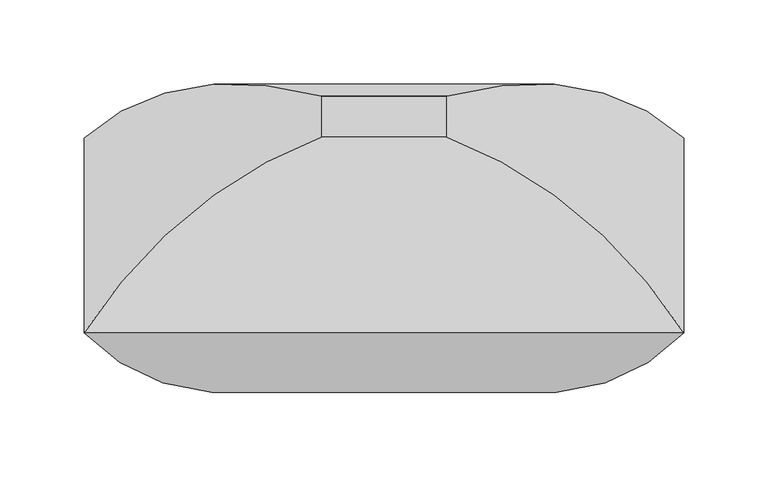
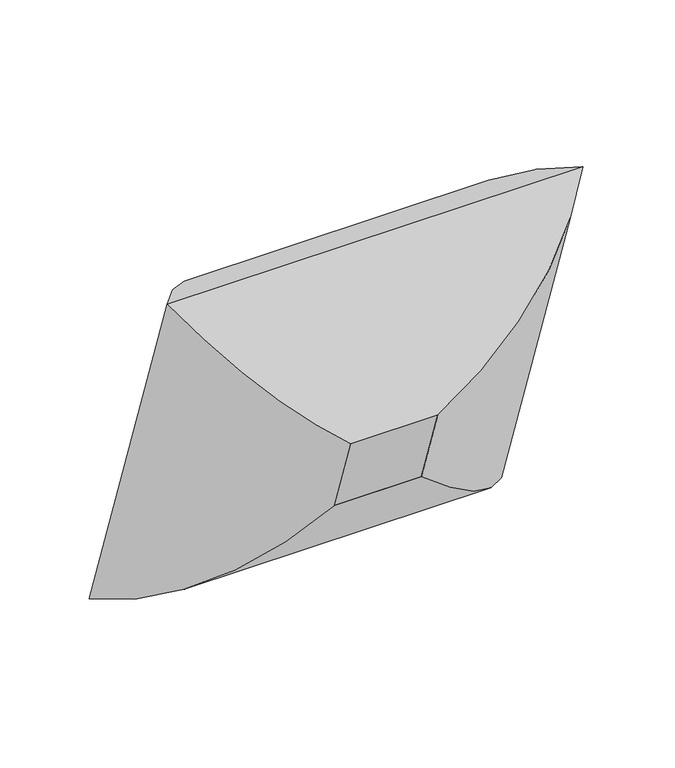
"""IFC4 building model written with IfcOpenShell, lengths in millimetres: furniture geometry."""

from ifc_helpers import new_model, si_unit, frame, origin, place, context, project, spatial, polyline, ellipse_curve, outline, extrude, source, transform, mapped, element, save
from ifc_brep_helpers import plane_surface, cylinder_surface, advanced_brep


def furniture_4e409ad1(model_context):
    return source(origin(), model_context, "Body", "SolidModel", [
        advanced_brep(
        [(-37.30625, -143.5545135, 609.5264421), (-177.4741804, -115.5598827, 767.4102685), (-177.4741804, 0.0, 431.8), (-37.30625, -119.2630596, 538.9789373), (-37.30625, 0.5425174, 659.1430288), (-37.30625, 24.8339713, 588.5955241), (177.4741804, 0.0, 431.8), (37.30625, -119.2630596, 538.9789373), (37.30625, 24.8339713, 588.5955241), (177.4741804, -115.5598827, 767.4102685), (37.30625, -143.5545135, 609.5264421), (37.30625, 0.5425174, 659.1430288)],
        [
            (0, 1, ellipse_curve(frame((-32.526504, 22.2285767, 661.5549796), z_axis=(-0.7071067811865476, 0.2302114497550402, -0.6685825965441238), x_axis=(-0.7071067811865475, -0.23021144975504026, 0.6685825965441237)), 245.7274984, 173.7555804)),
            (1, 2),
            (2, 3, ellipse_curve(frame((-32.526504, 43.4077645, 600.0461521), z_axis=(-0.7071067811865472, -0.23021144975504035, 0.668582596544124), x_axis=(0.7071067811865476, -0.23021144975504015, 0.6685825965441236)), 245.7274984, 173.7555804)),
            (3, 0),
            (4, 0),
            (3, 5),
            (5, 4),
            (1, 4, ellipse_curve(frame((-28.1179464, -172.6670045, 589.7844676), z_axis=(-0.7071067811865476, 0.2302114497550402, -0.6685825965441238), x_axis=(-0.7071067811865475, -0.23021144975504026, 0.6685825965441237)), 263.8641638, 186.5801395)),
            (5, 2, ellipse_curve(frame((-28.1179464, -154.3583886, 536.6123863), z_axis=(-0.7071067811865472, -0.23021144975504035, 0.668582596544124), x_axis=(0.7071067811865476, -0.23021144975504015, 0.6685825965441236)), 263.8641638, 186.5801395)),
            (2, 6),
            (6, 7, ellipse_curve(frame((32.526504, 43.4077645, 600.0461521), z_axis=(-0.7071067811865477, 0.23021144975504026, -0.6685825965441236), x_axis=(-0.7071067811865474, -0.23021144975504043, 0.668582596544124)), 245.7274984, 173.7555804)),
            (7, 3),
            (7, 8),
            (8, 5),
            (8, 6, ellipse_curve(frame((28.1179464, -154.3583886, 536.6123863), z_axis=(-0.7071067811865477, 0.23021144975504026, -0.6685825965441236), x_axis=(-0.7071067811865474, -0.23021144975504043, 0.668582596544124)), 263.8641638, 186.5801395)),
            (6, 9),
            (9, 10, ellipse_curve(frame((32.526504, 22.2285767, 661.5549796), z_axis=(0.7071067811865474, 0.23021144975504043, -0.6685825965441238), x_axis=(-0.7071067811865475, 0.23021144975504026, -0.6685825965441238)), 245.7274984, 173.7555804)),
            (10, 7),
            (10, 11),
            (11, 8),
            (11, 9, ellipse_curve(frame((28.1179464, -172.6670045, 589.7844676), z_axis=(0.7071067811865474, 0.23021144975504043, -0.6685825965441238), x_axis=(-0.7071067811865475, 0.23021144975504026, -0.6685825965441238)), 263.8641638, 186.5801395)),
            (9, 1),
            (0, 10),
            (4, 11),
        ],
        [
            cylinder_surface(frame((-32.526504, 20.6724436, 666.0743182), z_axis=(0.0, -0.32556815445715026, 0.945518575599319), x_axis=(0.0, -0.945518575599319, -0.32556815445715026)), 173.7555804),
            plane_surface(frame((-37.30625, -143.5545135, 609.5264421), z_axis=(1.0000000000000002, 0.0, 0.0), x_axis=(0.0, 0.32556815445715037, -0.9455185755993191))),
            cylinder_surface(frame((-28.1179464, -175.6584235, 598.4721794), z_axis=(0.0, -0.32556815445715026, 0.945518575599319), x_axis=(0.0, -0.945518575599319, -0.32556815445715026)), 186.5801395),
            cylinder_surface(frame((-37.30625, 43.4077645, 600.0461521), z_axis=(-0.9999999999999999, 0.0, 0.0), x_axis=(0.0, -0.945518575599319, -0.32556815445715026)), 173.7555804),
            plane_surface(frame((-37.30625, -119.2630596, 538.9789373), z_axis=(0.0, -0.3255681544571506, 0.9455185755993191), x_axis=(1.0, 0.0, 0.0))),
            cylinder_surface(frame((-37.30625, -154.3583886, 536.6123863), z_axis=(-0.9999999999999999, 0.0, 0.0), x_axis=(0.0, -0.945518575599319, -0.32556815445715026)), 186.5801395),
            cylinder_surface(frame((32.526504, 44.9638976, 595.5268135), z_axis=(0.0, 0.3255681544571504, -0.9455185755993191), x_axis=(0.0, -0.9455185755993191, -0.3255681544571504)), 173.7555804),
            plane_surface(frame((37.30625, -119.2630596, 538.9789373), z_axis=(-1.0, 0.0, 0.0), x_axis=(0.0, -0.3255681544571505, 0.945518575599319))),
            cylinder_surface(frame((28.1179464, -151.3669696, 527.9246746), z_axis=(0.0, 0.3255681544571504, -0.9455185755993191), x_axis=(0.0, -0.9455185755993191, -0.3255681544571504)), 186.5801395),
            cylinder_surface(frame((37.30625, 22.2285767, 661.5549796), z_axis=(1.0, 0.0, 0.0), x_axis=(0.0, -0.945518575599319, -0.3255681544571503)), 173.7555804),
            plane_surface(frame((37.30625, -143.5545135, 609.5264421), z_axis=(0.0, 0.32556815445715015, -0.9455185755993192), x_axis=(-1.0, 0.0, 0.0))),
            cylinder_surface(frame((37.30625, -172.6670045, 589.7844676), z_axis=(1.0, 0.0, 0.0), x_axis=(0.0, -0.945518575599319, -0.3255681544571503)), 186.5801395),
        ],
        [
            (0, [[1, 2, 3, 4]]),
            (1, [[5, -4, 6, 7]]),
            (2, [[8, -7, 9, -2]]),
            (3, [[-3, 10, 11, 12]]),
            (4, [[-6, -12, 13, 14]]),
            (5, [[-9, -14, 15, -10]]),
            (6, [[-11, 16, 17, 18]]),
            (7, [[-13, -18, 19, 20]]),
            (8, [[-15, -20, 21, -16]]),
            (9, [[-17, 22, -1, 23]]),
            (10, [[-19, -23, -5, 24]]),
            (11, [[-21, -24, -8, -22]]),
        ],
    ),
        extrude(outline(polyline([(0.0, -74.6125), (0.0, 0.0), (152.4, 0.0), (152.4, -74.6125), (0.0, -74.6125)])), frame((-37.30625, -119.2630596, 538.9789373), z_axis=(0.0, -0.3255681544571503, 0.9455185755993191), x_axis=(0.0, 0.9455185755993191, 0.3255681544571503)), (0.0, 0.0, 1.0), 74.6125),
    ])


if __name__ == "__main__":
    model = new_model("IFC4")
    model_context = context("Model", 3, world=origin())
    ifc_project = project(units=[si_unit("LENGTHUNIT", "METRE", prefix="MILLI")], contexts=[model_context])
    site = spatial("IfcSite", under=ifc_project)
    building = spatial("IfcBuilding", under=site)
    placement = place(None, origin())
    furniture_shape = furniture_4e409ad1(model_context)
    element("IfcFurniture", 1, at=placement, inside=building, context=model_context, shape_type="MappedRepresentation", body=[
        mapped(furniture_shape, transform((0.0, 0.0, 0.0), x_axis=(1.0, 0.0, 0.0), y_axis=(0.0, 1.0, 0.0), z_axis=(0.0, 0.0, 1.0))),
    ])
    save(model, "model.ifc")
